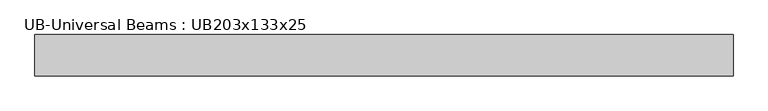
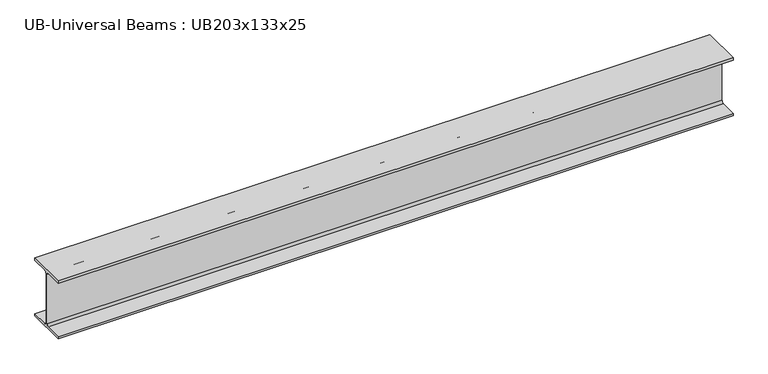
"""IFC4 building model written with IfcOpenShell, lengths in millimetres: beam geometry, UB-Universal Beams : UB203x133x25."""

from ifc_helpers import new_model, si_unit, point, frame, frame_2d, origin, place, context, project, spatial, polyline, circle_curve, trimmed, segment, composite_curve, outline, extrude, source, transform, mapped, element, save


def ub_universal_beams_ub203x133x25_bf2c772f(model_context):
    return source(origin(), model_context, "Body", "SweptSolid", [
        extrude(outline(composite_curve([segment(polyline([(66.6, -93.8), (66.6, -101.6), (-66.6, -101.6), (-66.6, -93.8), (-10.45, -93.8)]), True, "CONTINUOUS"), segment(trimmed(circle_curve(frame_2d((-10.45, -86.2)), 7.6), [point((-10.45, -93.8))], [point((-2.85, -86.2))], True, "CARTESIAN"), True, "CONTINUOUS"), segment(polyline([(-2.85, -86.2), (-2.85, 86.2)]), True, "CONTINUOUS"), segment(trimmed(circle_curve(frame_2d((-10.45, 86.2)), 7.6), [point((-2.85, 86.2))], [point((-10.45, 93.8))], True, "CARTESIAN"), True, "CONTINUOUS"), segment(polyline([(-10.45, 93.8), (-66.6, 93.8), (-66.6, 101.6), (66.6, 101.6), (66.6, 93.8), (10.45, 93.8)]), True, "CONTINUOUS"), segment(trimmed(circle_curve(frame_2d((10.45, 86.2)), 7.6), [point((10.45, 93.8))], [point((2.85, 86.2))], True, "CARTESIAN"), True, "CONTINUOUS"), segment(polyline([(2.85, 86.2), (2.85, -86.2)]), True, "CONTINUOUS"), segment(trimmed(circle_curve(frame_2d((10.45, -86.2)), 7.6), [point((2.85, -86.2))], [point((10.45, -93.8))], True, "CARTESIAN"), True, "CONTINUOUS"), segment(polyline([(10.45, -93.8), (66.6, -93.8)]), True, "CONTINUOUS")], self_intersect=False)), frame((-1119.45, 0.0, 0.0), z_axis=(1.0, 0.0, 0.0), x_axis=(0.0, 1.0, 0.0)), (0.0, 0.0, 1.0), 2238.9),
    ])


if __name__ == "__main__":
    model = new_model("IFC4")
    model_context = context("Model", 3, world=origin())
    ifc_project = project(units=[si_unit("LENGTHUNIT", "METRE", prefix="MILLI")], contexts=[model_context])
    site = spatial("IfcSite", under=ifc_project)
    building = spatial("IfcBuilding", under=site)
    placement = place(None, origin())
    ub_universal_beams_ub203x133x25_shape = ub_universal_beams_ub203x133x25_bf2c772f(model_context)
    element("IfcBeam", 1, ObjectType="UB-Universal Beams : UB203x133x25", at=placement, inside=building, context=model_context, shape_type="MappedRepresentation", body=[
        mapped(ub_universal_beams_ub203x133x25_shape, transform((0.0, 0.0, 0.0), x_axis=(1.0, 0.0, 0.0), y_axis=(0.0, 1.0, 0.0), z_axis=(0.0, 0.0, 1.0))),
    ])
    save(model, "model.ifc")
